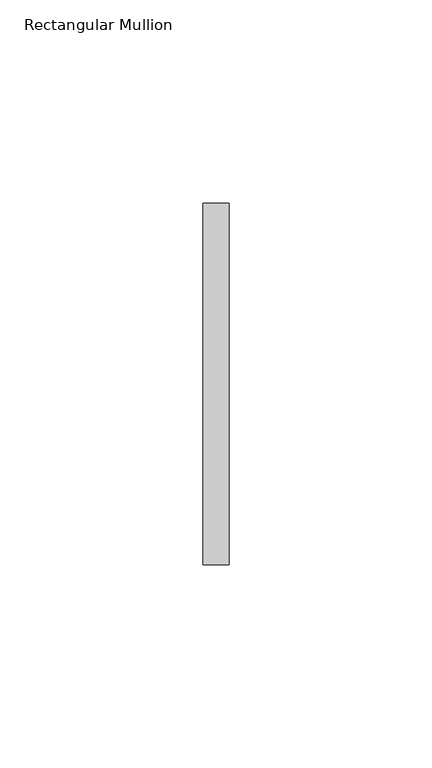
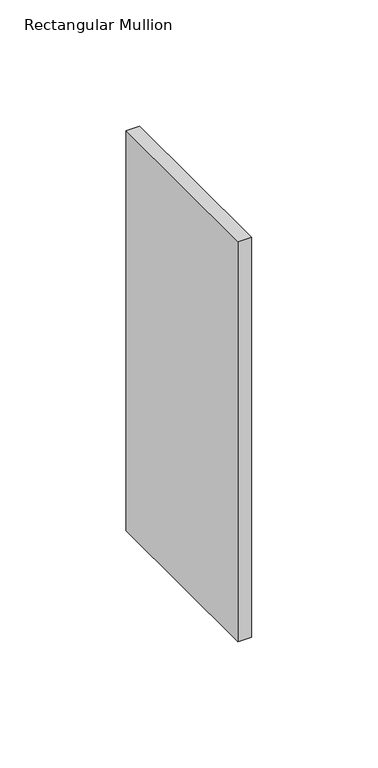
"""IFC4 building model written with IfcOpenShell, lengths in millimetres: member geometry, Rectangular Mullion."""

from ifc_helpers import new_model, si_unit, frame, origin, place, context, project, spatial, polyline, outline, extrude, source, transform, mapped, element, save


def rectangular_mullion_10f04686(model_context):
    return source(origin(), model_context, "Body", "SweptSolid", [
        extrude(outline(polyline([(0.0, 44.45), (0.0, -44.45), (-6.35, -44.45), (-6.35, 44.45), (0.0, 44.45)])), frame((0.0, 0.0, -193.675), z_axis=(0.0, 0.0, 1.0), x_axis=(1.0, 0.0, 0.0)), (0.0, 0.0, 1.0), 193.675),
    ])


if __name__ == "__main__":
    model = new_model("IFC4")
    model_context = context("Model", 3, world=origin())
    ifc_project = project(units=[si_unit("LENGTHUNIT", "METRE", prefix="MILLI")], contexts=[model_context])
    site = spatial("IfcSite", under=ifc_project)
    building = spatial("IfcBuilding", under=site)
    placement = place(None, origin())
    rectangular_mullion_shape = rectangular_mullion_10f04686(model_context)
    element("IfcMember", 1, ObjectType="Rectangular Mullion", at=placement, inside=building, context=model_context, shape_type="MappedRepresentation", body=[
        mapped(rectangular_mullion_shape, transform((0.0, 0.0, 0.0), x_axis=(1.0, 0.0, 0.0), y_axis=(0.0, 1.0, 0.0), z_axis=(0.0, 0.0, 1.0))),
    ])
    save(model, "model.ifc")
